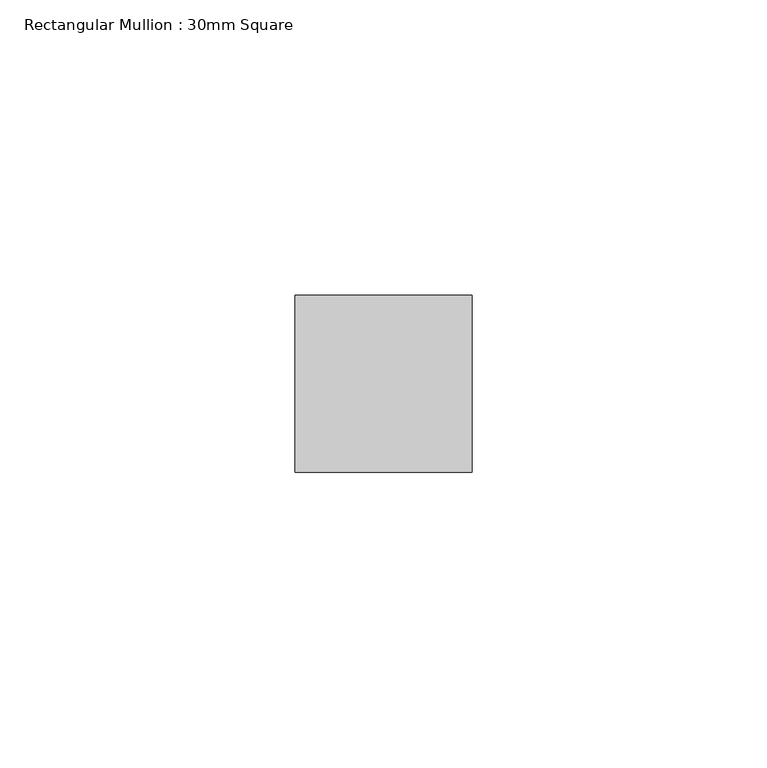
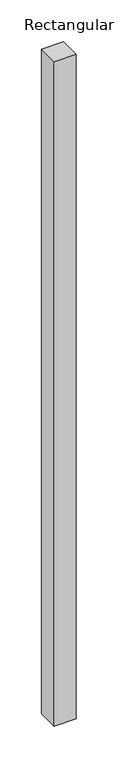
"""IFC4 building model written with IfcOpenShell, lengths in millimetres: member geometry, Rectangular Mullion : 30mm Square."""

from ifc_helpers import new_model, si_unit, frame, origin, place, context, project, spatial, polyline, outline, extrude, source, transform, mapped, element, save


def rectangular_mullion_30mm_square_b86bc8b0(model_context):
    return source(origin(), model_context, "Body", "SweptSolid", [
        extrude(outline(polyline([(0.0, 15.0), (0.0, -15.0), (-30.0, -15.0), (-30.0, 15.0), (0.0, 15.0)])), frame((0.0, 0.0, -968.3455398), z_axis=(0.0, 0.0, 1.0), x_axis=(1.0, 0.0, 0.0)), (0.0, 0.0, 1.0), 968.3455398),
    ])


if __name__ == "__main__":
    model = new_model("IFC4")
    model_context = context("Model", 3, world=origin())
    ifc_project = project(units=[si_unit("LENGTHUNIT", "METRE", prefix="MILLI")], contexts=[model_context])
    site = spatial("IfcSite", under=ifc_project)
    building = spatial("IfcBuilding", under=site)
    placement = place(None, origin())
    rectangular_mullion_30mm_square_shape = rectangular_mullion_30mm_square_b86bc8b0(model_context)
    element("IfcMember", 1, ObjectType="Rectangular Mullion : 30mm Square", at=placement, inside=building, context=model_context, shape_type="MappedRepresentation", body=[
        mapped(rectangular_mullion_30mm_square_shape, transform((0.0, 0.0, 0.0), x_axis=(1.0, 0.0, 0.0), y_axis=(0.0, 1.0, 0.0), z_axis=(0.0, 0.0, 1.0))),
    ])
    save(model, "model.ifc")
